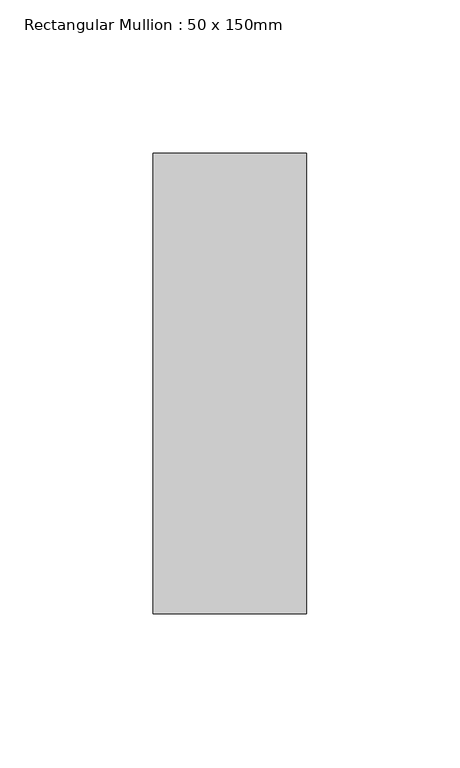
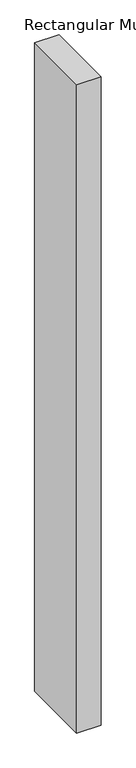
"""IFC4 building model written with IfcOpenShell, lengths in millimetres: member geometry, Rectangular Mullion : 50 x 150mm."""

from ifc_helpers import new_model, si_unit, frame, origin, place, context, project, spatial, polyline, outline, extrude, source, transform, mapped, element, save


def rectangular_mullion_50_x_150mm_8b77f56d(model_context):
    return source(origin(), model_context, "Body", "SweptSolid", [
        extrude(outline(polyline([(25.0, 75.0), (25.0, -75.0), (-25.0, -75.0), (-25.0, 75.0), (25.0, 75.0)])), frame((0.0, 0.0, -1414.0003106), z_axis=(0.0, 0.0, 1.0), x_axis=(1.0, 0.0, 0.0)), (0.0, 0.0, 1.0), 1414.0003106),
    ])


if __name__ == "__main__":
    model = new_model("IFC4")
    model_context = context("Model", 3, world=origin())
    ifc_project = project(units=[si_unit("LENGTHUNIT", "METRE", prefix="MILLI")], contexts=[model_context])
    site = spatial("IfcSite", under=ifc_project)
    building = spatial("IfcBuilding", under=site)
    placement = place(None, origin())
    rectangular_mullion_50_x_150mm_shape = rectangular_mullion_50_x_150mm_8b77f56d(model_context)
    element("IfcMember", 1, ObjectType="Rectangular Mullion : 50 x 150mm", at=placement, inside=building, context=model_context, shape_type="MappedRepresentation", body=[
        mapped(rectangular_mullion_50_x_150mm_shape, transform((0.0, 0.0, 0.0), x_axis=(1.0, 0.0, 0.0), y_axis=(0.0, 1.0, 0.0), z_axis=(0.0, 0.0, 1.0))),
    ])
    save(model, "model.ifc")
